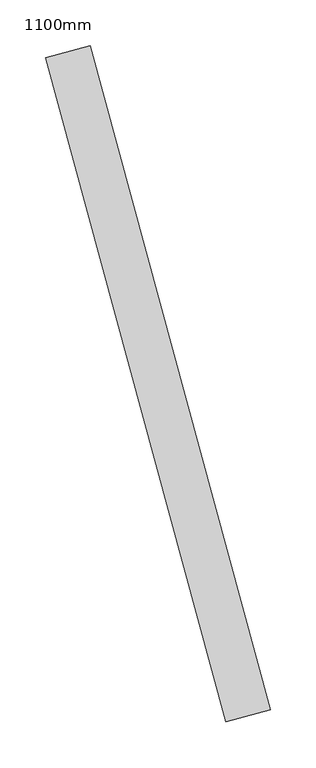
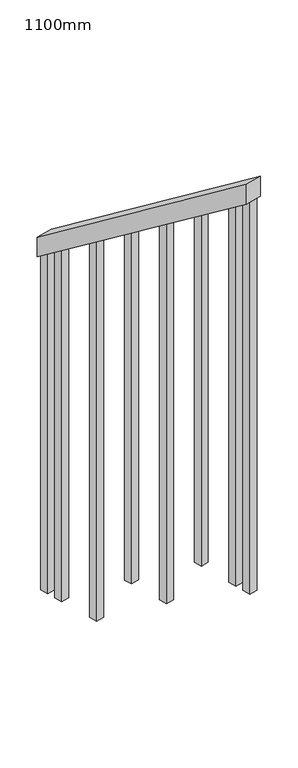
"""IFC4 building model written with IfcOpenShell, lengths in millimetres: railing geometry, 1100mm."""

import ifcopenshell
import ifcopenshell.guid

model = None  # the IFC model being written
_history = None  # IfcOwnerHistory: only IFC2X3 demands one
_inside = {}  # id of a spatial element -> (the spatial element, [elements in it])
_under = {}  # id of a project, library or spatial element -> (it, [spatial elements below it])
_declared = {}  # id of a project -> (the project, [libraries it declares])
_typed = {}  # id of a type object -> (the type object, [elements of that type])
_made_of = {}  # id of a material, layer set ... -> (it, [elements and type objects made of it])


def new_model(schema):
    """Start an empty IFC model of exactly this schema.

    Asked for "IFC4X3", IfcOpenShell would pick the latest addendum, in which some entities
    have other attributes; the version numbers below select the first issue.
    IFC2X3 requires an IfcOwnerHistory on every rooted entity: one is made here for all.
    """
    global model, _history
    if schema == "IFC4X3":
        model = ifcopenshell.file(schema_version=(4, 3, 0, 0))
    else:
        model = ifcopenshell.file(schema=schema)
    _inside.clear()
    _under.clear()
    _declared.clear()
    _typed.clear()
    _made_of.clear()
    _history = None
    if model.schema == "IFC2X3":
        org = make("IfcOrganization", Name="unknown")
        user = make(
            "IfcPersonAndOrganization",
            ThePerson=make("IfcPerson", FamilyName="unknown"),
            TheOrganization=org,
        )
        app = make(
            "IfcApplication",
            ApplicationDeveloper=org,
            Version="unknown",
            ApplicationFullName="unknown",
            ApplicationIdentifier="unknown",
        )
        _history = make(
            "IfcOwnerHistory",
            OwningUser=user,
            OwningApplication=app,
            ChangeAction="ADDED",
            CreationDate=0,
        )
    return model


def make(cls, **values):
    """One entity of the class cls with the attributes given. An attribute that is None is left unset."""
    return model.create_entity(
        cls, **{name: value for name, value in values.items() if value is not None}
    )


def rooted(cls, **values):
    """An entity with a GlobalId (a new one), such as an element, a storey or a relation."""
    return make(cls, GlobalId=ifcopenshell.guid.new(), OwnerHistory=_history, **values)


def si_unit(unit_type, name, prefix=None):
    """IfcSIUnit, for example si_unit("LENGTHUNIT", "METRE", prefix="MILLI")."""
    return make("IfcSIUnit", UnitType=unit_type, Prefix=prefix, Name=name)


def assignment(units):
    """IfcUnitAssignment: the units of a project."""
    return None if units is None else make("IfcUnitAssignment", Units=units)


def point(xyz):
    """IfcCartesianPoint."""
    return None if xyz is None else make("IfcCartesianPoint", Coordinates=xyz)


def direction(xyz):
    """IfcDirection."""
    return None if xyz is None else make("IfcDirection", DirectionRatios=xyz)


def frame(location, z_axis=None, x_axis=None):
    """IfcAxis2Placement3D, a coordinate frame: its origin and axes. An axis left out is left unset."""
    return make(
        "IfcAxis2Placement3D",
        Location=point(location),
        Axis=direction(z_axis),
        RefDirection=direction(x_axis),
    )


def origin():
    """The frame at (0, 0, 0) with its axes left unset."""
    return frame((0.0, 0.0, 0.0))


def place(relative_to, where):
    """IfcLocalPlacement: puts the frame where relative to a parent placement (None: the world)."""
    return make(
        "IfcLocalPlacement", PlacementRelTo=relative_to, RelativePlacement=where
    )


def context(
    kind, dimensions, precision=None, world=None, true_north=None, identifier=None
):
    """IfcGeometricRepresentationContext, for example the 3D "Model" context."""
    return make(
        "IfcGeometricRepresentationContext",
        ContextIdentifier=identifier,
        ContextType=kind,
        CoordinateSpaceDimension=dimensions,
        Precision=precision,
        WorldCoordinateSystem=world,
        TrueNorth=true_north,
    )


def project(units=None, contexts=None):
    """IfcProject with its units and contexts."""
    return rooted(
        "IfcProject",
        Name="project",
        RepresentationContexts=contexts,
        UnitsInContext=assignment(units),
    )


def spatial(cls, under=None, at=None, **own):
    """A site, building, storey or space (cls), placed at a placement, below another one or the project."""
    s = rooted(cls, ObjectPlacement=at, **own)
    if under is not None:
        _under.setdefault(under.id(), (under, []))[1].append(s)
    return s


def polyline(points):
    """IfcPolyline through the points."""
    return make("IfcPolyline", Points=[point(p) for p in points])


def outline(outer, holes=None, kind="AREA"):
    """IfcArbitraryClosedProfileDef: a profile drawn as a closed curve; with holes, ...WithVoids."""
    if holes is None:
        return make("IfcArbitraryClosedProfileDef", ProfileType=kind, OuterCurve=outer)
    return make(
        "IfcArbitraryProfileDefWithVoids",
        ProfileType=kind,
        OuterCurve=outer,
        InnerCurves=holes,
    )


def extrude(swept, where, along, depth):
    """IfcExtrudedAreaSolid: the profile swept, set in the frame where, extruded along a direction by depth."""
    return make(
        "IfcExtrudedAreaSolid",
        SweptArea=swept,
        Position=where,
        ExtrudedDirection=direction(along),
        Depth=depth,
    )


def shape(context_of_items, identifier, shape_type, items):
    """IfcShapeRepresentation: the items that make up one representation, for example the "Body"."""
    return make(
        "IfcShapeRepresentation",
        ContextOfItems=context_of_items,
        RepresentationIdentifier=identifier,
        RepresentationType=shape_type,
        Items=items,
    )


def source(mapping_origin, context_of_items, identifier, shape_type, items):
    """IfcRepresentationMap: a shape defined once, which mapped items show again and again."""
    return make(
        "IfcRepresentationMap",
        MappingOrigin=mapping_origin,
        MappedRepresentation=shape(context_of_items, identifier, shape_type, items),
    )


def transform(
    local_origin,
    x_axis=None,
    y_axis=None,
    z_axis=None,
    scale=None,
    scale2=None,
    scale3=None,
    uniform=True,
):
    """IfcCartesianTransformationOperator3D, or its non-uniform kind. x_axis, y_axis, z_axis: its Axis1, 2, 3."""
    if uniform:
        return make(
            "IfcCartesianTransformationOperator3D",
            Axis1=direction(x_axis),
            Axis2=direction(y_axis),
            LocalOrigin=point(local_origin),
            Scale=scale,
            Axis3=direction(z_axis),
        )
    return make(
        "IfcCartesianTransformationOperator3DnonUniform",
        Axis1=direction(x_axis),
        Axis2=direction(y_axis),
        LocalOrigin=point(local_origin),
        Scale=scale,
        Axis3=direction(z_axis),
        Scale2=scale2,
        Scale3=scale3,
    )


def mapped(mapping_source, mapping_target):
    """IfcMappedItem: shows the shape of a source again, moved by a transform."""
    return make(
        "IfcMappedItem", MappingSource=mapping_source, MappingTarget=mapping_target
    )


def made_of(thing, what):
    """Note that an element or type object is made of a material, layer set ...; save() writes the relation."""
    if what is not None:
        _made_of.setdefault(what.id(), (what, []))[1].append(thing)
    return thing


def element(
    cls,
    number,
    at=None,
    inside=None,
    cuts=None,
    type_object=None,
    material=None,
    context=None,
    identifier="Body",
    shape_type=None,
    held_by="IfcProductDefinitionShape",
    body=None,
    shapes=None,
    **own,
):
    """One element of the class cls, such as IfcWall. Its Tag is "e" and its number.

    at: its placement. inside: the storey or other place that contains it. cuts: it is an
    opening in that element (IfcRelVoidsElement). A single representation is given by context,
    identifier, shape_type and body (its items); several are given by shapes. held_by: the class
    of the entity that holds the representations. save() writes the other relations.
    """
    e = rooted(cls, Tag="e%d" % number, ObjectPlacement=at, **own)
    if body is not None:
        shapes = [shape(context, identifier, shape_type, body)]
    if shapes is not None:
        e.Representation = make(held_by, Representations=shapes)
    if inside is not None:
        _inside.setdefault(inside.id(), (inside, []))[1].append(e)
    if cuts is not None:
        rooted(
            "IfcRelVoidsElement", RelatingBuildingElement=cuts, RelatedOpeningElement=e
        )
    if type_object is not None:
        _typed.setdefault(type_object.id(), (type_object, []))[1].append(e)
    return made_of(e, material)


def aggregate(whole, parts):
    """IfcRelAggregates: a whole, such as a stair, and the parts it consists of."""
    return rooted("IfcRelAggregates", RelatingObject=whole, RelatedObjects=parts)


def save(model, path):
    """Write the relations noted so far, then the file.

    IfcRelAggregates (storeys below a building ...), IfcRelContainedInSpatialStructure (elements
    in a storey), IfcRelDefinesByType, IfcRelAssociatesMaterial and IfcRelDeclares: one each for
    every whole, place, type object, material and project.
    """
    for whole, parts in _under.values():
        aggregate(whole, parts)
    for where, things in _inside.values():
        rooted(
            "IfcRelContainedInSpatialStructure",
            RelatedElements=things,
            RelatingStructure=where,
        )
    for kind, things in _typed.values():
        rooted("IfcRelDefinesByType", RelatedObjects=things, RelatingType=kind)
    for what, things in _made_of.values():
        rooted("IfcRelAssociatesMaterial", RelatedObjects=things, RelatingMaterial=what)
    for by, libraries in _declared.values():
        rooted("IfcRelDeclares", RelatingContext=by, RelatedDefinitions=libraries)
    model.write(path)


def railing_1100mm_287f3183(model_context):
    return source(origin(), model_context, "Body", "SweptSolid", [
        extrude(outline(polyline([(35.5555555, -50.0), (0.0, 0.0), (920.2958461, 0.0), (955.8514016, -50.0), (35.5555555, -50.0)])), frame((109329.9545735, 19402.1326708, 1216.4247214), z_axis=(0.9649894123601869, 0.2622888370341775, 0.0), x_axis=(0.21375368431596142, -0.7864232597554525, 0.5795237863599392)), (0.0, 0.0, 1.0), 50.0),
        extrude(outline(polyline([(1271.980277, 25.0), (1271.980277, 0.0), (91.1111112, 0.0), (108.8888889, 25.0), (1271.980277, 25.0)])), frame((109525.6191271, 18729.9186927, 1805.3136103), z_axis=(0.964989412360187, 0.26228883703417755, 0.0), x_axis=(0.0, 0.0, -1.0)), (0.0, 0.0, 1.0), 25.0),
        extrude(outline(polyline([(1183.0913881, 25.0), (1183.0913881, 0.0), (91.1111111, 0.0), (108.8888889, 25.0), (1183.0913881, 25.0)])), frame((109492.8330224, 18850.5423692, 1716.4247214), z_axis=(0.964989412360187, 0.26228883703417755, 0.0), x_axis=(0.0, 0.0, -1.0)), (0.0, 0.0, 1.0), 25.0),
        extrude(outline(polyline([(1271.9802769, 25.0000001), (1271.9802769, 0.0), (91.1111111, 0.0), (108.8888889, 25.0000001), (1271.9802769, 25.0000001)])), frame((109460.0469178, 18971.1660457, 1627.5358325), z_axis=(0.964989412360187, 0.26228883703417755, 0.0), x_axis=(0.0, 0.0, -1.0)), (0.0, 0.0, 1.0), 25.0),
        extrude(outline(polyline([(1183.091388, 25.0), (1183.091388, 0.0), (91.1111111, 0.0), (108.8888889, 25.0), (1183.091388, 25.0)])), frame((109427.2608132, 19091.7897223, 1538.6469436), z_axis=(0.964989412360187, 0.26228883703417755, 0.0), x_axis=(0.0, 0.0, -1.0)), (0.0, 0.0, 1.0), 25.0),
        extrude(outline(polyline([(1271.9802769, 25.0), (1271.9802769, 0.0), (91.1111111, 0.0), (108.8888889, 25.0), (1271.9802769, 25.0)])), frame((109394.4747086, 19212.4133988, 1449.7580547), z_axis=(0.964989412360187, 0.26228883703417755, 0.0), x_axis=(0.0, 0.0, -1.0)), (0.0, 0.0, 1.0), 25.0),
        extrude(outline(polyline([(1183.091388, 25.0), (1183.091388, 0.0), (91.1111111, 0.0), (108.8888889, 25.0), (1183.091388, 25.0)])), frame((109361.6886039, 19333.0370754, 1360.8691658), z_axis=(0.964989412360187, 0.26228883703417755, 0.0), x_axis=(0.0, 0.0, -1.0)), (0.0, 0.0, 1.0), 25.0),
        extrude(outline(polyline([(1307.5358325, 25.0), (1307.5358325, 0.0), (91.1111111, 0.0), (108.8888889, 25.0), (1307.5358325, 25.0)])), frame((109538.7335689, 18681.669222, 1840.8691658), z_axis=(0.964989412360187, 0.26228883703417755, 0.0), x_axis=(0.0, 0.0, -1.0)), (0.0, 0.0, 1.0), 25.0),
        extrude(outline(polyline([(1147.5358325, 25.0), (1147.5358325, 0.0), (91.1111112, 0.0), (108.8888889, 25.0), (1147.5358325, 25.0)])), frame((109348.5741621, 19381.286546, 1325.3136103), z_axis=(0.964989412360187, 0.26228883703417755, 0.0), x_axis=(0.0, 0.0, -1.0)), (0.0, 0.0, 1.0), 25.0),
    ])


if __name__ == "__main__":
    model = new_model("IFC4")
    model_context = context("Model", 3, world=origin())
    ifc_project = project(units=[si_unit("LENGTHUNIT", "METRE", prefix="MILLI")], contexts=[model_context])
    site = spatial("IfcSite", under=ifc_project)
    building = spatial("IfcBuilding", under=site)
    placement = place(None, origin())
    railing_1100mm_shape = railing_1100mm_287f3183(model_context)
    element("IfcRailing", 1, ObjectType="1100mm", at=placement, inside=building, context=model_context, shape_type="MappedRepresentation", body=[
        mapped(railing_1100mm_shape, transform((0.0, 0.0, 0.0), x_axis=(1.0, 0.0, 0.0), y_axis=(0.0, 1.0, 0.0), z_axis=(0.0, 0.0, 1.0))),
    ])
    save(model, "model.ifc")
